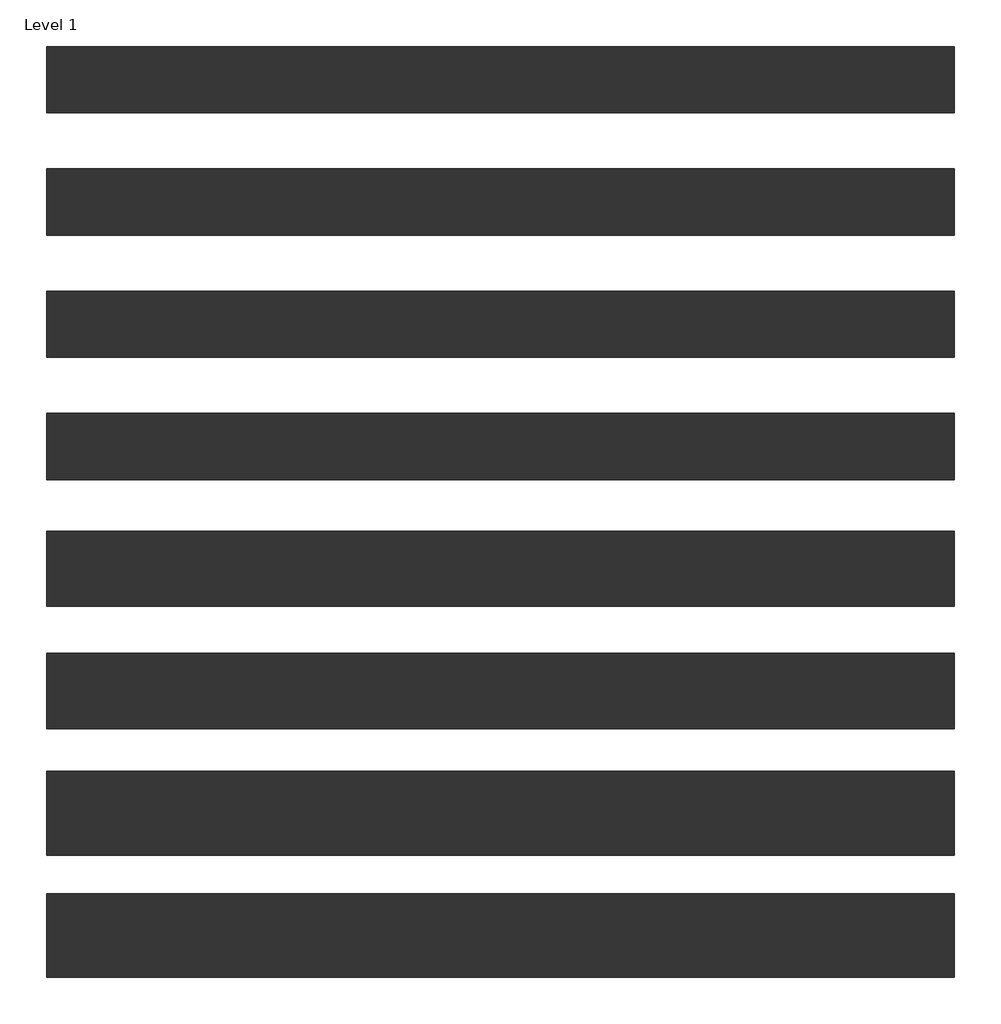
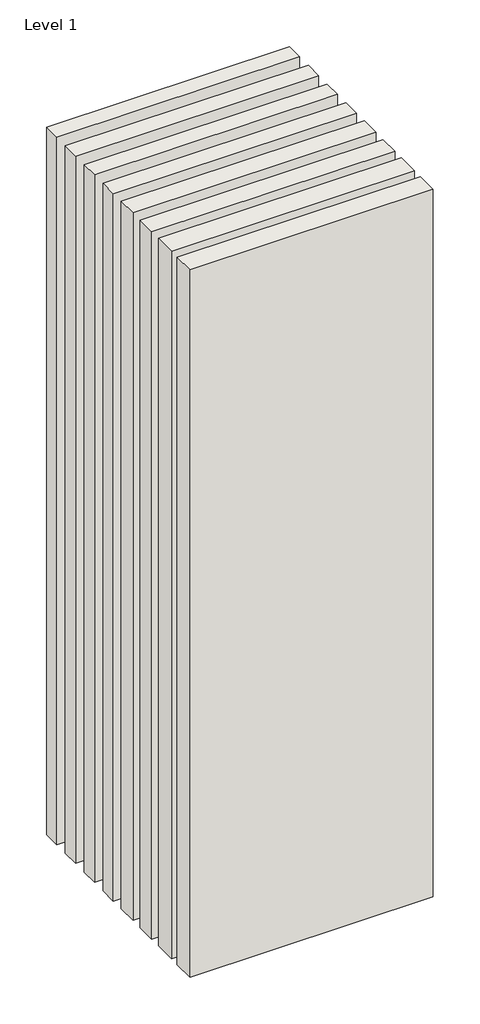
# One storey: 8 walls.
"""IFC4 building model written with IfcOpenShell, lengths in millimetres."""

from ifc_helpers import new_model, si_unit, origin, origin_with_axes, place, context, project, spatial, polyline, outline, extrude, element, save

model = new_model("IFC4")

# Units and contexts
model_context = context("Model", 3, world=origin())
ifc_project = project(units=[si_unit("LENGTHUNIT", "METRE", prefix="MILLI")], contexts=[model_context])

# Site, building, storey
site = spatial("IfcSite", under=ifc_project)
building = spatial("IfcBuilding", under=site)
storey = spatial("IfcBuildingStorey", under=building, Name="Level 1", Elevation=0.0)

# Walls
placement = place(None, origin())
element("IfcWall", 1, at=placement, inside=storey, context=model_context, shape_type="SweptSolid", body=[
    extrude(outline(polyline([(-16904.1464237, 2591.4042935), (-19504.1464237, 2591.4042935), (-19504.1464237, 2781.4042935), (-16904.1464237, 2781.4042935), (-16904.1464237, 2591.4042935)])), origin_with_axes(), (0.0, 0.0, 1.0), 8000.0),
])
element("IfcWall", 2, at=placement, inside=storey, context=model_context, shape_type="SweptSolid", body=[
    extrude(outline(polyline([(-16904.1464237, 2228.9042935), (-19504.1464237, 2228.9042935), (-19504.1464237, 2443.9042935), (-16904.1464237, 2443.9042935), (-16904.1464237, 2228.9042935)])), origin_with_axes(), (0.0, 0.0, 1.0), 8000.0),
])
element("IfcWall", 3, at=placement, inside=storey, context=model_context, shape_type="SweptSolid", body=[
    extrude(outline(polyline([(-16904.1464237, 1878.9042935), (-19504.1464237, 1878.9042935), (-19504.1464237, 2093.9042935), (-16904.1464237, 2093.9042935), (-16904.1464237, 1878.9042935)])), origin_with_axes(), (0.0, 0.0, 1.0), 8000.0),
])
element("IfcWall", 4, at=placement, inside=storey, context=model_context, shape_type="SweptSolid", body=[
    extrude(outline(polyline([(-16904.1464237, 3641.4042935), (-19504.1464237, 3641.4042935), (-19504.1464237, 3831.4042935), (-16904.1464237, 3831.4042935), (-16904.1464237, 3641.4042935)])), origin_with_axes(), (0.0, 0.0, 1.0), 8000.0),
])
element("IfcWall", 5, at=placement, inside=storey, context=model_context, shape_type="SweptSolid", body=[
    extrude(outline(polyline([(-16904.1464237, 3291.4042935), (-19504.1464237, 3291.4042935), (-19504.1464237, 3481.4042935), (-16904.1464237, 3481.4042935), (-16904.1464237, 3291.4042935)])), origin_with_axes(), (0.0, 0.0, 1.0), 8000.0),
])
element("IfcWall", 6, at=placement, inside=storey, context=model_context, shape_type="SweptSolid", body=[
    extrude(outline(polyline([(-16904.1464237, 2941.4042935), (-19504.1464237, 2941.4042935), (-19504.1464237, 3131.4042935), (-16904.1464237, 3131.4042935), (-16904.1464237, 2941.4042935)])), origin_with_axes(), (0.0, 0.0, 1.0), 8000.0),
])
element("IfcWall", 7, at=placement, inside=storey, context=model_context, shape_type="SweptSolid", body=[
    extrude(outline(polyline([(-16904.1464237, 1516.4042935), (-19504.1464237, 1516.4042935), (-19504.1464237, 1756.4042935), (-16904.1464237, 1756.4042935), (-16904.1464237, 1516.4042935)])), origin_with_axes(), (0.0, 0.0, 1.0), 8000.0),
])
element("IfcWall", 8, at=placement, inside=storey, context=model_context, shape_type="SweptSolid", body=[
    extrude(outline(polyline([(-16904.1464237, 1166.4042935), (-19504.1464237, 1166.4042935), (-19504.1464237, 1406.4042935), (-16904.1464237, 1406.4042935), (-16904.1464237, 1166.4042935)])), origin_with_axes(), (0.0, 0.0, 1.0), 8000.0),
])

save(model, "model.ifc")
